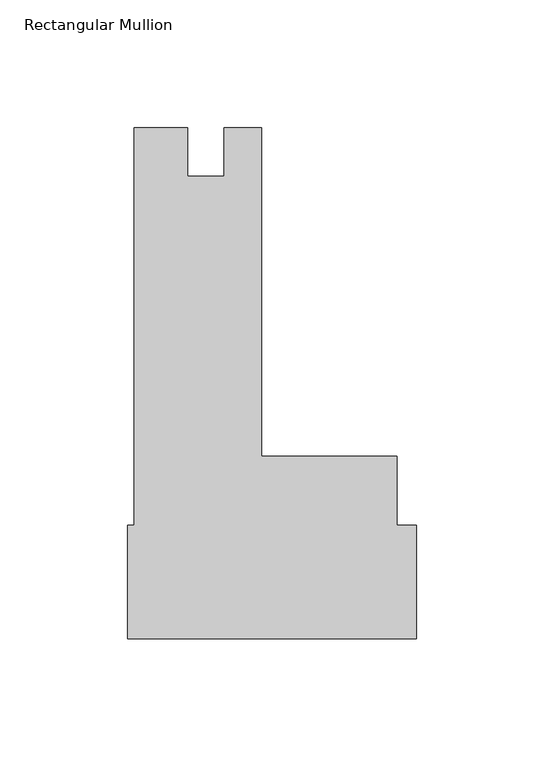
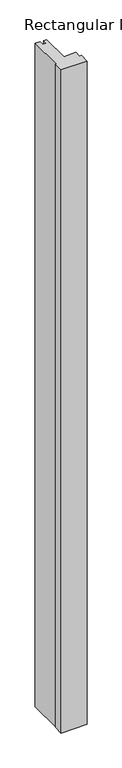
"""IFC4 building model written with IfcOpenShell, lengths in millimetres: member geometry, Rectangular Mullion."""

from ifc_helpers import new_model, si_unit, frame, origin, place, context, project, spatial, polyline, outline, extrude, source, transform, mapped, element, save


def rectangular_mullion_af7cc430(model_context):
    return source(origin(), model_context, "Body", "SweptSolid", [
        extrude(outline(polyline([(0.0, -71.3007763), (-113.07572, -71.3007763), (-113.07572, -26.8507763), (-110.508415, -26.8507763), (-110.508415, 128.7219728), (-89.6296084, 128.7219728), (-89.6296084, 109.697374), (-75.316715, 109.697374), (-75.316715, 128.721974), (-60.724415, 128.721974), (-60.724415, 0.1240237), (-7.545705, 0.1240237), (-7.545705, -26.8507763), (0.0, -26.8507763), (0.0, -71.3007763)])), frame((0.0, 0.0, -3048.0), z_axis=(0.0, 0.0, 1.0), x_axis=(1.0, 0.0, 0.0)), (0.0, 0.0, 1.0), 3048.0),
    ])


if __name__ == "__main__":
    model = new_model("IFC4")
    model_context = context("Model", 3, world=origin())
    ifc_project = project(units=[si_unit("LENGTHUNIT", "METRE", prefix="MILLI")], contexts=[model_context])
    site = spatial("IfcSite", under=ifc_project)
    building = spatial("IfcBuilding", under=site)
    placement = place(None, origin())
    rectangular_mullion_shape = rectangular_mullion_af7cc430(model_context)
    element("IfcMember", 1, ObjectType="Rectangular Mullion", at=placement, inside=building, context=model_context, shape_type="MappedRepresentation", body=[
        mapped(rectangular_mullion_shape, transform((0.0, 0.0, 0.0), x_axis=(1.0, 0.0, 0.0), y_axis=(0.0, 1.0, 0.0), z_axis=(0.0, 0.0, 1.0))),
    ])
    save(model, "model.ifc")
